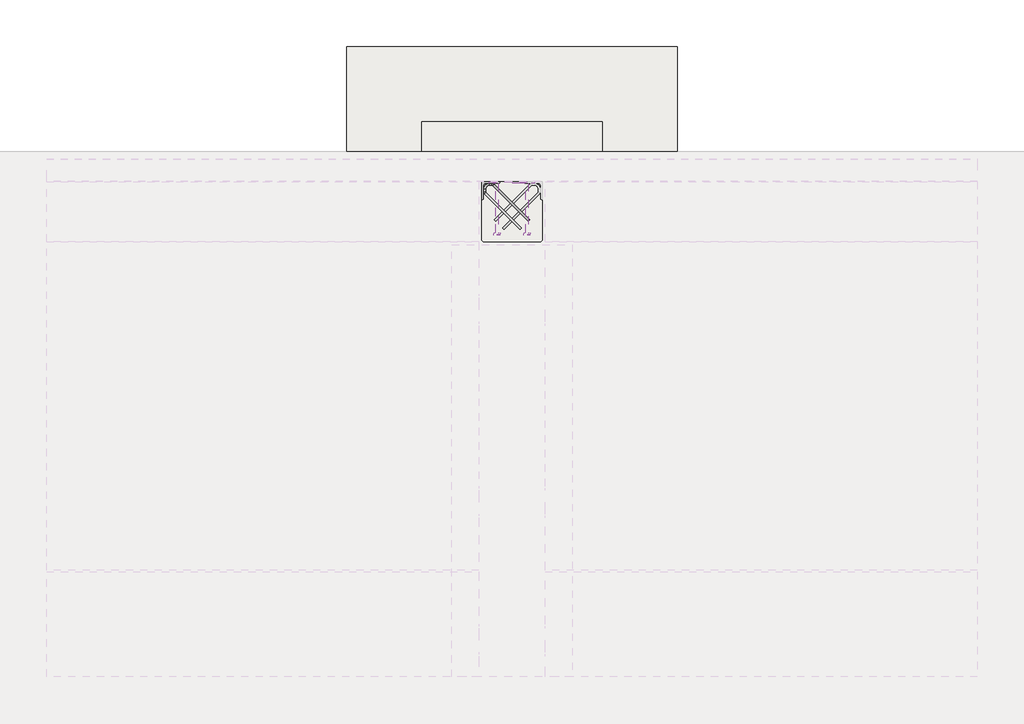
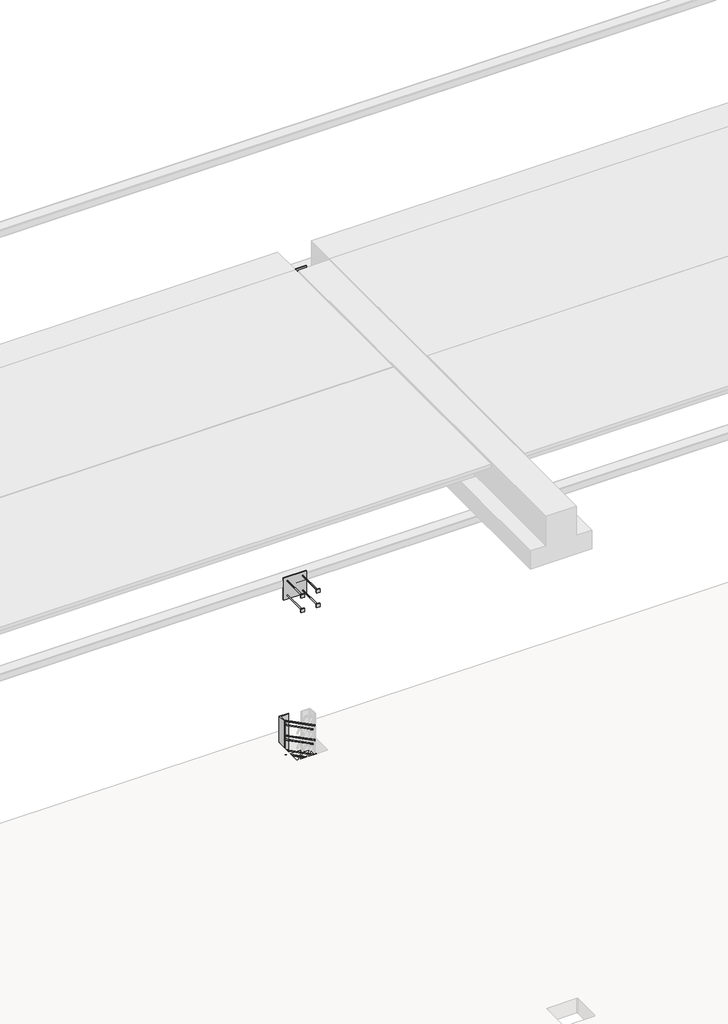
# One storey, part 41 of 65: 4 fasteners, 1 slab.
"""IFC4 building model written with IfcOpenShell, lengths in millimetres."""

from ifc_helpers import new_model, si_unit, point, frame, frame_2d, origin, place, context, project, spatial, polyline, circle_curve, ellipse_curve, trimmed, segment, composite_curve, outline, extrude, faceted_brep, element, save
from ifc_brep_helpers import plane_surface, cylinder_surface, revolved_surface, advanced_brep

model = new_model("IFC4")

# Units and contexts
model_context = context("Model", 3, world=origin())
ifc_project = project(units=[si_unit("LENGTHUNIT", "METRE", prefix="MILLI")], contexts=[model_context])

# Site, building, storey
site = spatial("IfcSite", under=ifc_project)
building = spatial("IfcBuilding", under=site)
storey = spatial("IfcBuildingStorey", under=building, Elevation=0.0)

# Fasteners
placement = place(None, origin())
element("IfcFastener", 1, at=placement, inside=storey, context=model_context, shape_type="SolidModel", body=[
    advanced_brep(
    [(46052.5376259, 38682.5628791, 280.0), (46062.4371209, 38692.4623741, 280.0), (46117.4371209, 38747.4623741, 280.0), (46107.5376259, 38737.5628791, 280.0), (45847.0, 38976.0, 280.0), (45847.0, 38990.0, 280.0), (45865.7867966, 38990.0, 280.0), (45865.7867966, 38976.0, 280.0), (45824.0, 38953.0, 280.0), (45810.0, 38953.0, 280.0), (45824.0, 38934.2132034, 280.0), (45810.0, 38934.2132034, 280.0), (45816.4436508, 38918.6568542, 280.0), (45826.3431458, 38928.5563492, 280.0), (45871.4436508, 38973.6568542, 280.0), (45881.3431458, 38983.5563492, 280.0)],
    [
        (0, 1, circle_curve(frame((46057.4873734, 38687.5126266, 280.0), z_axis=(0.7071067811865482, -0.707106781186547, 0.0), x_axis=(0.707106781186547, 0.7071067811865482, 0.0)), 7.0)),
        (1, 0, circle_curve(frame((46057.4873734, 38687.5126266, 280.0), z_axis=(0.7071067811865482, -0.707106781186547, 0.0), x_axis=(0.707106781186547, 0.7071067811865482, 0.0)), 7.0)),
        (2, 3, circle_curve(frame((46112.4873734, 38742.5126266, 280.0), z_axis=(0.707106781186548, -0.707106781186547, 0.0), x_axis=(-0.707106781186547, -0.707106781186548, 0.0)), 7.0)),
        (3, 2, circle_curve(frame((46112.4873734, 38742.5126266, 280.0), z_axis=(0.707106781186548, -0.707106781186547, 0.0), x_axis=(-0.707106781186547, -0.707106781186548, 0.0)), 7.0)),
        (4, 5, circle_curve(frame((45847.0, 38983.0, 280.0), z_axis=(1.0, 0.0, 0.0), x_axis=(0.0, -1.0, 0.0)), 7.0)),
        (5, 6),
        (6, 7, circle_curve(frame((45865.7867966, 38983.0, 280.0), z_axis=(-1.0, 0.0, 0.0), x_axis=(0.0, -1.0, 0.0)), 7.0)),
        (7, 4),
        (5, 4, circle_curve(frame((45847.0, 38983.0, 280.0), z_axis=(1.0, 0.0, 0.0), x_axis=(0.0, -1.0, 0.0)), 7.0)),
        (7, 6, circle_curve(frame((45865.7867966, 38983.0, 280.0), z_axis=(-1.0, 0.0, 0.0), x_axis=(0.0, -1.0, 0.0)), 7.0)),
        (4, 8, circle_curve(frame((45847.0, 38953.0, 280.0), z_axis=(0.0, 0.0, 1.0), x_axis=(-1.0, 0.0, 0.0)), 23.0)),
        (8, 9, circle_curve(frame((45817.0, 38953.0, 280.0), z_axis=(0.0, 1.0, 0.0), x_axis=(1.0, 0.0, 0.0)), 7.0)),
        (9, 5, circle_curve(frame((45847.0, 38953.0, 280.0), z_axis=(0.0, 0.0, -1.0), x_axis=(-1.0, 0.0, 0.0)), 37.0)),
        (9, 8, circle_curve(frame((45817.0, 38953.0, 280.0), z_axis=(0.0, 1.0, 0.0), x_axis=(1.0, 0.0, 0.0)), 7.0)),
        (10, 11, circle_curve(frame((45817.0, 38934.2132034, 280.0), z_axis=(0.0, 1.0, 0.0), x_axis=(1.0, 0.0, 0.0)), 7.0)),
        (11, 9),
        (8, 10),
        (11, 10, circle_curve(frame((45817.0, 38934.2132034, 280.0), z_axis=(0.0, 1.0, 0.0), x_axis=(1.0, 0.0, 0.0)), 7.0)),
        (0, 12),
        (12, 13, circle_curve(frame((45821.3933983, 38923.6066017, 280.0), z_axis=(0.7071067811865482, -0.707106781186547, 0.0), x_axis=(0.707106781186547, 0.7071067811865482, 0.0)), 7.0)),
        (13, 1),
        (13, 12, circle_curve(frame((45821.3933983, 38923.6066017, 280.0), z_axis=(0.7071067811865482, -0.707106781186547, 0.0), x_axis=(0.707106781186547, 0.7071067811865482, 0.0)), 7.0)),
        (10, 13, circle_curve(frame((45832.0, 38934.2132034, 280.0), z_axis=(0.0, 0.0, 1.0), x_axis=(-0.7071067811865468, -0.7071067811865482, 0.0)), 8.0)),
        (12, 11, circle_curve(frame((45832.0, 38934.2132034, 280.0), z_axis=(0.0, 0.0, -1.0), x_axis=(-0.7071067811865468, -0.7071067811865482, 0.0)), 22.0)),
        (14, 7, circle_curve(frame((45865.7867966, 38968.0, 280.0), z_axis=(0.0, 0.0, 1.0), x_axis=(0.0, 1.0, 0.0)), 8.0)),
        (6, 15, circle_curve(frame((45865.7867966, 38968.0, 280.0), z_axis=(0.0, 0.0, -1.0), x_axis=(0.0, 1.0, 0.0)), 22.0)),
        (15, 14, circle_curve(frame((45876.3933983, 38978.6066017, 280.0), z_axis=(-0.7071067811865479, 0.7071067811865471, 0.0), x_axis=(-0.7071067811865471, -0.7071067811865479, 0.0)), 7.0)),
        (14, 15, circle_curve(frame((45876.3933983, 38978.6066017, 280.0), z_axis=(-0.7071067811865476, 0.7071067811865475, 0.0), x_axis=(-0.7071067811865475, -0.7071067811865476, 0.0)), 7.0)),
        (15, 2),
        (3, 14),
    ],
    [
        plane_surface(frame((46057.4873734, 38687.5126266, 280.0), z_axis=(0.7071067811865482, -0.707106781186547, 0.0), x_axis=(0.0, 0.0, -1.0))),
        plane_surface(frame((46112.4873734, 38742.5126266, 280.0), z_axis=(0.707106781186548, -0.707106781186547, 0.0), x_axis=(0.0, 0.0, -1.0))),
        cylinder_surface(frame((45847.0, 38983.0, 280.0), z_axis=(-1.0, 0.0, 0.0), x_axis=(0.0, -1.0, 0.0)), 7.0),
        revolved_surface(trimmed(ellipse_curve(frame((45817.0, 38953.0, 280.0), z_axis=(0.0, -1.0, 0.0), x_axis=(1.0, 0.0, 0.0)), 7.0, 7.0), [point((45810.0, 38953.0, 280.0))], [point((45824.0, 38953.0, 280.0))], True, "CARTESIAN"), (45847.0, 38953.0, 280.0), (0.0, 0.0, -1.0)),
        revolved_surface(trimmed(ellipse_curve(frame((45817.0, 38953.0, 280.0), z_axis=(0.0, -1.0, 0.0), x_axis=(1.0, 0.0, 0.0)), 7.0, 7.0), [point((45824.0, 38953.0, 280.0))], [point((45810.0, 38953.0, 280.0))], True, "CARTESIAN"), (45847.0, 38953.0, 280.0), (0.0, 0.0, -1.0)),
        cylinder_surface(frame((45817.0, 38934.2132034, 280.0), z_axis=(0.0, -1.0, 0.0), x_axis=(1.0, 0.0, 0.0)), 7.0),
        cylinder_surface(frame((46057.4873734, 38687.5126266, 280.0), z_axis=(0.7071067811865482, -0.707106781186547, 0.0), x_axis=(0.707106781186547, 0.7071067811865482, 0.0)), 7.0),
        revolved_surface(trimmed(ellipse_curve(frame((45821.3933983, 38923.6066017, 280.0), z_axis=(0.7071067811865482, -0.7071067811865468, 0.0), x_axis=(0.7071067811865468, 0.7071067811865482, 0.0)), 7.0, 7.0), [point((45816.4436508, 38918.6568542, 280.0))], [point((45826.3431458, 38928.5563492, 280.0))], True, "CARTESIAN"), (45832.0, 38934.2132034, 280.0), (0.0, 0.0, -1.0)),
        revolved_surface(trimmed(ellipse_curve(frame((45821.3933983, 38923.6066017, 280.0), z_axis=(0.7071067811865482, -0.7071067811865468, 0.0), x_axis=(0.7071067811865468, 0.7071067811865482, 0.0)), 7.0, 7.0), [point((45826.3431458, 38928.5563492, 280.0))], [point((45816.4436508, 38918.6568542, 280.0))], True, "CARTESIAN"), (45832.0, 38934.2132034, 280.0), (0.0, 0.0, -1.0)),
        revolved_surface(trimmed(ellipse_curve(frame((45865.7867966, 38983.0, 280.0), z_axis=(-1.0, 0.0, 0.0), x_axis=(0.0, -1.0, 0.0)), 7.0, 7.0), [point((45865.7867966, 38990.0, 280.0))], [point((45865.7867966, 38976.0, 280.0))], True, "CARTESIAN"), (45865.7867966, 38968.0, 280.0), (0.0, 0.0, -1.0)),
        revolved_surface(trimmed(ellipse_curve(frame((45865.7867966, 38983.0, 280.0), z_axis=(-1.0, 0.0, 0.0), x_axis=(0.0, -1.0, 0.0)), 7.0, 7.0), [point((45865.7867966, 38976.0, 280.0))], [point((45865.7867966, 38990.0, 280.0))], True, "CARTESIAN"), (45865.7867966, 38968.0, 280.0), (0.0, 0.0, -1.0)),
        cylinder_surface(frame((45876.3933983, 38978.6066017, 280.0), z_axis=(-0.707106781186548, 0.707106781186547, 0.0), x_axis=(-0.707106781186547, -0.707106781186548, 0.0)), 7.0),
    ],
    [
        (0, [[1, 2]]),
        (1, [[3, 4]]),
        (2, [[5, 6, 7, 8]]),
        (2, [[9, -8, 10, -6]]),
        (3, [[11, 12, 13, -5]]),
        (4, [[-13, 14, -11, -9]]),
        (5, [[15, 16, -12, 17]]),
        (5, [[18, -17, -14, -16]]),
        (6, [[-1, 19, 20, 21]]),
        (6, [[-2, -21, 22, -19]]),
        (7, [[23, -20, 24, -15]]),
        (8, [[-24, -22, -23, -18]]),
        (9, [[25, -7, 26, 27]]),
        (10, [[-26, -10, -25, 28]]),
        (11, [[-27, 29, -4, 30]]),
        (11, [[-28, -30, -3, -29]]),
    ],
),
    advanced_brep(
    [(46062.4371209, 38692.4623741, -120.0), (46052.5376259, 38682.5628791, -120.0), (46107.5376259, 38737.5628791, -120.0), (46117.4371209, 38747.4623741, -120.0), (45847.0, 38990.0, -120.0), (45847.0, 38976.0, -120.0), (45865.7867966, 38976.0, -120.0), (45865.7867966, 38990.0, -120.0), (45810.0, 38953.0, -120.0), (45824.0, 38953.0, -120.0), (45810.0, 38934.2132034, -120.0), (45824.0, 38934.2132034, -120.0), (45826.3431458, 38928.5563492, -120.0), (45816.4436508, 38918.6568542, -120.0), (45881.3431458, 38983.5563492, -120.0), (45871.4436508, 38973.6568542, -120.0)],
    [
        (0, 1, circle_curve(frame((46057.4873734, 38687.5126266, -120.0), z_axis=(0.7071067811865482, -0.707106781186547, 0.0), x_axis=(-0.707106781186547, -0.7071067811865482, 0.0)), 7.0)),
        (1, 0, circle_curve(frame((46057.4873734, 38687.5126266, -120.0), z_axis=(0.7071067811865482, -0.707106781186547, 0.0), x_axis=(-0.707106781186547, -0.7071067811865482, 0.0)), 7.0)),
        (2, 3, circle_curve(frame((46112.4873734, 38742.5126266, -120.0), z_axis=(0.7071067811865481, -0.707106781186547, 0.0), x_axis=(0.707106781186547, 0.7071067811865481, 0.0)), 7.0)),
        (3, 2, circle_curve(frame((46112.4873734, 38742.5126266, -120.0), z_axis=(0.7071067811865481, -0.707106781186547, 0.0), x_axis=(0.707106781186547, 0.7071067811865481, 0.0)), 7.0)),
        (4, 5, circle_curve(frame((45847.0, 38983.0, -120.0), z_axis=(1.0, 0.0, 0.0), x_axis=(0.0, 1.0, 0.0)), 7.0)),
        (5, 6),
        (6, 7, circle_curve(frame((45865.7867966, 38983.0, -120.0), z_axis=(-1.0, 0.0, 0.0), x_axis=(0.0, 1.0, 0.0)), 7.0)),
        (7, 4),
        (5, 4, circle_curve(frame((45847.0, 38983.0, -120.0), z_axis=(1.0, 0.0, 0.0), x_axis=(0.0, 1.0, 0.0)), 7.0)),
        (7, 6, circle_curve(frame((45865.7867966, 38983.0, -120.0), z_axis=(-1.0, 0.0, 0.0), x_axis=(0.0, 1.0, 0.0)), 7.0)),
        (4, 8, circle_curve(frame((45847.0, 38953.0, -120.0), z_axis=(0.0, 0.0, 1.0), x_axis=(-1.0, 0.0, 0.0)), 37.0)),
        (8, 9, circle_curve(frame((45817.0, 38953.0, -120.0), z_axis=(0.0, 1.0, 0.0), x_axis=(-1.0, 0.0, 0.0)), 7.0)),
        (9, 5, circle_curve(frame((45847.0, 38953.0, -120.0), z_axis=(0.0, 0.0, -1.0), x_axis=(-1.0, 0.0, 0.0)), 23.0)),
        (9, 8, circle_curve(frame((45817.0, 38953.0, -120.0), z_axis=(0.0, 1.0, 0.0), x_axis=(-1.0, 0.0, 0.0)), 7.0)),
        (10, 11, circle_curve(frame((45817.0, 38934.2132034, -120.0), z_axis=(0.0, 1.0, 0.0), x_axis=(-1.0, 0.0, 0.0)), 7.0)),
        (11, 9),
        (8, 10),
        (11, 10, circle_curve(frame((45817.0, 38934.2132034, -120.0), z_axis=(0.0, 1.0, 0.0), x_axis=(-1.0, 0.0, 0.0)), 7.0)),
        (0, 12),
        (12, 13, circle_curve(frame((45821.3933983, 38923.6066017, -120.0), z_axis=(0.7071067811865482, -0.707106781186547, 0.0), x_axis=(-0.707106781186547, -0.7071067811865482, 0.0)), 7.0)),
        (13, 1),
        (13, 12, circle_curve(frame((45821.3933983, 38923.6066017, -120.0), z_axis=(0.7071067811865482, -0.707106781186547, 0.0), x_axis=(-0.707106781186547, -0.7071067811865482, 0.0)), 7.0)),
        (10, 13, circle_curve(frame((45832.0, 38934.2132034, -120.0), z_axis=(0.0, 0.0, 1.0), x_axis=(-0.7071067811865468, -0.7071067811865482, 0.0)), 22.0)),
        (12, 11, circle_curve(frame((45832.0, 38934.2132034, -120.0), z_axis=(0.0, 0.0, -1.0), x_axis=(-0.7071067811865468, -0.7071067811865482, 0.0)), 8.0)),
        (14, 7, circle_curve(frame((45865.7867966, 38968.0, -120.0), z_axis=(0.0, 0.0, 1.0), x_axis=(0.0, 1.0, 0.0)), 22.0)),
        (6, 15, circle_curve(frame((45865.7867966, 38968.0, -120.0), z_axis=(0.0, 0.0, -1.0), x_axis=(0.0, 1.0, 0.0)), 8.0)),
        (15, 14, circle_curve(frame((45876.3933983, 38978.6066017, -120.0), z_axis=(-0.7071067811865464, 0.7071067811865487, 0.0), x_axis=(0.7071067811865487, 0.7071067811865464, 0.0)), 7.0)),
        (14, 15, circle_curve(frame((45876.3933983, 38978.6066017, -120.0), z_axis=(-0.7071067811865474, 0.7071067811865477, 0.0), x_axis=(0.7071067811865477, 0.7071067811865474, 0.0)), 7.0)),
        (15, 2),
        (3, 14),
    ],
    [
        plane_surface(frame((46057.4873734, 38687.5126266, -120.0), z_axis=(0.7071067811865482, -0.707106781186547, 0.0), x_axis=(0.0, 0.0, 1.0))),
        plane_surface(frame((46112.4873734, 38742.5126266, -120.0), z_axis=(0.7071067811865481, -0.707106781186547, 0.0), x_axis=(0.0, 0.0, 1.0))),
        cylinder_surface(frame((45847.0, 38983.0, -120.0), z_axis=(-1.0, 0.0, 0.0), x_axis=(0.0, 1.0, 0.0)), 7.0),
        revolved_surface(trimmed(ellipse_curve(frame((45817.0, 38953.0, -120.0), z_axis=(0.0, -1.0, 0.0), x_axis=(-1.0, 0.0, 0.0)), 7.0, 7.0), [point((45824.0, 38953.0, -120.0))], [point((45810.0, 38953.0, -120.0))], True, "CARTESIAN"), (45847.0, 38953.0, -120.0), (0.0, 0.0, -1.0)),
        revolved_surface(trimmed(ellipse_curve(frame((45817.0, 38953.0, -120.0), z_axis=(0.0, -1.0, 0.0), x_axis=(-1.0, 0.0, 0.0)), 7.0, 7.0), [point((45810.0, 38953.0, -120.0))], [point((45824.0, 38953.0, -120.0))], True, "CARTESIAN"), (45847.0, 38953.0, -120.0), (0.0, 0.0, -1.0)),
        cylinder_surface(frame((45817.0, 38934.2132034, -120.0), z_axis=(0.0, -1.0, 0.0), x_axis=(-1.0, 0.0, 0.0)), 7.0),
        cylinder_surface(frame((46057.4873734, 38687.5126266, -120.0), z_axis=(0.7071067811865482, -0.707106781186547, 0.0), x_axis=(-0.707106781186547, -0.7071067811865482, 0.0)), 7.0),
        revolved_surface(trimmed(ellipse_curve(frame((45821.3933983, 38923.6066017, -120.0), z_axis=(0.7071067811865482, -0.7071067811865468, 0.0), x_axis=(-0.7071067811865468, -0.7071067811865482, 0.0)), 7.0, 7.0), [point((45826.3431458, 38928.5563492, -120.0))], [point((45816.4436508, 38918.6568542, -120.0))], True, "CARTESIAN"), (45832.0, 38934.2132034, -120.0), (0.0, 0.0, -1.0)),
        revolved_surface(trimmed(ellipse_curve(frame((45821.3933983, 38923.6066017, -120.0), z_axis=(0.7071067811865482, -0.7071067811865468, 0.0), x_axis=(-0.7071067811865468, -0.7071067811865482, 0.0)), 7.0, 7.0), [point((45816.4436508, 38918.6568542, -120.0))], [point((45826.3431458, 38928.5563492, -120.0))], True, "CARTESIAN"), (45832.0, 38934.2132034, -120.0), (0.0, 0.0, -1.0)),
        revolved_surface(trimmed(ellipse_curve(frame((45865.7867966, 38983.0, -120.0), z_axis=(-1.0, 0.0, 0.0), x_axis=(0.0, 1.0, 0.0)), 7.0, 7.0), [point((45865.7867966, 38976.0, -120.0))], [point((45865.7867966, 38990.0, -120.0))], True, "CARTESIAN"), (45865.7867966, 38968.0, -120.0), (0.0, 0.0, -1.0)),
        revolved_surface(trimmed(ellipse_curve(frame((45865.7867966, 38983.0, -120.0), z_axis=(-1.0, 0.0, 0.0), x_axis=(0.0, 1.0, 0.0)), 7.0, 7.0), [point((45865.7867966, 38990.0, -120.0))], [point((45865.7867966, 38976.0, -120.0))], True, "CARTESIAN"), (45865.7867966, 38968.0, -120.0), (0.0, 0.0, -1.0)),
        cylinder_surface(frame((45876.3933983, 38978.6066017, -120.0), z_axis=(-0.7071067811865481, 0.707106781186547, 0.0), x_axis=(0.707106781186547, 0.7071067811865481, 0.0)), 7.0),
    ],
    [
        (0, [[1, 2]]),
        (1, [[3, 4]]),
        (2, [[5, 6, 7, 8]]),
        (2, [[9, -8, 10, -6]]),
        (3, [[11, 12, 13, -5]]),
        (4, [[-13, 14, -11, -9]]),
        (5, [[15, 16, -12, 17]]),
        (5, [[18, -17, -14, -16]]),
        (6, [[-1, 19, 20, 21]]),
        (6, [[-2, -21, 22, -19]]),
        (7, [[23, -20, 24, -15]]),
        (8, [[-24, -22, -23, -18]]),
        (9, [[25, -7, 26, 27]]),
        (10, [[-26, -10, -25, 28]]),
        (11, [[-27, 29, -4, 30]]),
        (11, [[-28, -30, -3, -29]]),
    ],
),
    advanced_brep(
    [(46062.4371209, 38692.4623741, 80.0), (46052.5376259, 38682.5628791, 80.0), (46107.5376259, 38737.5628791, 80.0), (46117.4371209, 38747.4623741, 80.0), (45847.0, 38990.0, 80.0), (45847.0, 38976.0, 80.0), (45865.7867966, 38976.0, 80.0), (45865.7867966, 38990.0, 80.0), (45810.0, 38953.0, 80.0), (45824.0, 38953.0, 80.0), (45810.0, 38934.2132034, 80.0), (45824.0, 38934.2132034, 80.0), (45826.3431458, 38928.5563492, 80.0), (45816.4436508, 38918.6568542, 80.0), (45881.3431458, 38983.5563492, 80.0), (45871.4436508, 38973.6568542, 80.0)],
    [
        (0, 1, circle_curve(frame((46057.4873734, 38687.5126266, 80.0), z_axis=(0.7071067811865481, -0.7071067811865469, 0.0), x_axis=(-0.7071067811865469, -0.7071067811865481, 0.0)), 7.0)),
        (1, 0, circle_curve(frame((46057.4873734, 38687.5126266, 80.0), z_axis=(0.7071067811865481, -0.7071067811865469, 0.0), x_axis=(-0.7071067811865469, -0.7071067811865481, 0.0)), 7.0)),
        (2, 3, circle_curve(frame((46112.4873734, 38742.5126266, 80.0), z_axis=(0.7071067811865481, -0.707106781186547, 0.0), x_axis=(0.707106781186547, 0.7071067811865481, 0.0)), 7.0)),
        (3, 2, circle_curve(frame((46112.4873734, 38742.5126266, 80.0), z_axis=(0.7071067811865481, -0.707106781186547, 0.0), x_axis=(0.707106781186547, 0.7071067811865481, 0.0)), 7.0)),
        (4, 5, circle_curve(frame((45847.0, 38983.0, 80.0), z_axis=(1.0, 0.0, 0.0), x_axis=(0.0, 1.0, 0.0)), 7.0)),
        (5, 6),
        (6, 7, circle_curve(frame((45865.7867966, 38983.0, 80.0), z_axis=(-1.0, 0.0, 0.0), x_axis=(0.0, 1.0, 0.0)), 7.0)),
        (7, 4),
        (5, 4, circle_curve(frame((45847.0, 38983.0, 80.0), z_axis=(1.0, 0.0, 0.0), x_axis=(0.0, 1.0, 0.0)), 7.0)),
        (7, 6, circle_curve(frame((45865.7867966, 38983.0, 80.0), z_axis=(-1.0, 0.0, 0.0), x_axis=(0.0, 1.0, 0.0)), 7.0)),
        (4, 8, circle_curve(frame((45847.0, 38953.0, 80.0), z_axis=(0.0, 0.0, 1.0), x_axis=(-1.0, 0.0, 0.0)), 37.0)),
        (8, 9, circle_curve(frame((45817.0, 38953.0, 80.0), z_axis=(0.0, 1.0, 0.0), x_axis=(-1.0, 0.0, 0.0)), 7.0)),
        (9, 5, circle_curve(frame((45847.0, 38953.0, 80.0), z_axis=(0.0, 0.0, -1.0), x_axis=(-1.0, 0.0, 0.0)), 23.0)),
        (9, 8, circle_curve(frame((45817.0, 38953.0, 80.0), z_axis=(0.0, 1.0, 0.0), x_axis=(-1.0, 0.0, 0.0)), 7.0)),
        (10, 11, circle_curve(frame((45817.0, 38934.2132034, 80.0), z_axis=(0.0, 1.0, 0.0), x_axis=(-1.0, 0.0, 0.0)), 7.0)),
        (11, 9),
        (8, 10),
        (11, 10, circle_curve(frame((45817.0, 38934.2132034, 80.0), z_axis=(0.0, 1.0, 0.0), x_axis=(-1.0, 0.0, 0.0)), 7.0)),
        (0, 12),
        (12, 13, circle_curve(frame((45821.3933983, 38923.6066017, 80.0), z_axis=(0.7071067811865481, -0.7071067811865469, 0.0), x_axis=(-0.7071067811865469, -0.7071067811865481, 0.0)), 7.0)),
        (13, 1),
        (13, 12, circle_curve(frame((45821.3933983, 38923.6066017, 80.0), z_axis=(0.7071067811865481, -0.7071067811865469, 0.0), x_axis=(-0.7071067811865469, -0.7071067811865481, 0.0)), 7.0)),
        (10, 13, circle_curve(frame((45832.0, 38934.2132034, 80.0), z_axis=(0.0, 0.0, 1.0), x_axis=(-0.7071067811865468, -0.7071067811865482, 0.0)), 22.0)),
        (12, 11, circle_curve(frame((45832.0, 38934.2132034, 80.0), z_axis=(0.0, 0.0, -1.0), x_axis=(-0.7071067811865468, -0.7071067811865482, 0.0)), 8.0)),
        (14, 7, circle_curve(frame((45865.7867966, 38968.0, 80.0), z_axis=(0.0, 0.0, 1.0), x_axis=(0.0, 1.0, 0.0)), 22.0)),
        (6, 15, circle_curve(frame((45865.7867966, 38968.0, 80.0), z_axis=(0.0, 0.0, -1.0), x_axis=(0.0, 1.0, 0.0)), 8.0)),
        (15, 14, circle_curve(frame((45876.3933983, 38978.6066017, 80.0), z_axis=(-0.707106781186548, 0.707106781186547, 0.0), x_axis=(0.707106781186547, 0.707106781186548, 0.0)), 7.0)),
        (14, 15, circle_curve(frame((45876.3933983, 38978.6066017, 80.0), z_axis=(-0.7071067811865479, 0.7071067811865471, 0.0), x_axis=(0.7071067811865471, 0.7071067811865479, 0.0)), 7.0)),
        (15, 2),
        (3, 14),
    ],
    [
        plane_surface(frame((46057.4873734, 38687.5126266, 80.0), z_axis=(0.7071067811865481, -0.7071067811865469, 0.0), x_axis=(0.0, 0.0, 1.0))),
        plane_surface(frame((46112.4873734, 38742.5126266, 80.0), z_axis=(0.707106781186548, -0.7071067811865471, 0.0), x_axis=(0.0, 0.0, 1.0))),
        cylinder_surface(frame((45847.0, 38983.0, 80.0), z_axis=(-1.0, 0.0, 0.0), x_axis=(0.0, 1.0, 0.0)), 7.0),
        revolved_surface(trimmed(ellipse_curve(frame((45817.0, 38953.0, 80.0), z_axis=(0.0, -1.0, 0.0), x_axis=(-1.0, 0.0, 0.0)), 7.0, 7.0), [point((45824.0, 38953.0, 80.0))], [point((45810.0, 38953.0, 80.0))], True, "CARTESIAN"), (45847.0, 38953.0, 80.0), (0.0, 0.0, -1.0)),
        revolved_surface(trimmed(ellipse_curve(frame((45817.0, 38953.0, 80.0), z_axis=(0.0, -1.0, 0.0), x_axis=(-1.0, 0.0, 0.0)), 7.0, 7.0), [point((45810.0, 38953.0, 80.0))], [point((45824.0, 38953.0, 80.0))], True, "CARTESIAN"), (45847.0, 38953.0, 80.0), (0.0, 0.0, -1.0)),
        cylinder_surface(frame((45817.0, 38934.2132034, 80.0), z_axis=(0.0, -1.0, 0.0), x_axis=(-1.0, 0.0, 0.0)), 7.0),
        cylinder_surface(frame((46057.4873734, 38687.5126266, 80.0), z_axis=(0.7071067811865481, -0.7071067811865469, 0.0), x_axis=(-0.7071067811865469, -0.7071067811865481, 0.0)), 7.0),
        revolved_surface(trimmed(ellipse_curve(frame((45821.3933983, 38923.6066017, 80.0), z_axis=(0.7071067811865483, -0.7071067811865467, 0.0), x_axis=(-0.7071067811865467, -0.7071067811865483, 0.0)), 7.0, 7.0), [point((45826.3431458, 38928.5563492, 80.0))], [point((45816.4436508, 38918.6568542, 80.0))], True, "CARTESIAN"), (45832.0, 38934.2132034, 80.0), (0.0, 0.0, -1.0)),
        revolved_surface(trimmed(ellipse_curve(frame((45821.3933983, 38923.6066017, 80.0), z_axis=(0.7071067811865483, -0.7071067811865467, 0.0), x_axis=(-0.7071067811865467, -0.7071067811865483, 0.0)), 7.0, 7.0), [point((45816.4436508, 38918.6568542, 80.0))], [point((45826.3431458, 38928.5563492, 80.0))], True, "CARTESIAN"), (45832.0, 38934.2132034, 80.0), (0.0, 0.0, -1.0)),
        revolved_surface(trimmed(ellipse_curve(frame((45865.7867966, 38983.0, 80.0), z_axis=(-1.0, 0.0, 0.0), x_axis=(0.0, 1.0, 0.0)), 7.0, 7.0), [point((45865.7867966, 38976.0, 80.0))], [point((45865.7867966, 38990.0, 80.0))], True, "CARTESIAN"), (45865.7867966, 38968.0, 80.0), (0.0, 0.0, -1.0)),
        revolved_surface(trimmed(ellipse_curve(frame((45865.7867966, 38983.0, 80.0), z_axis=(-1.0, 0.0, 0.0), x_axis=(0.0, 1.0, 0.0)), 7.0, 7.0), [point((45865.7867966, 38990.0, 80.0))], [point((45865.7867966, 38976.0, 80.0))], True, "CARTESIAN"), (45865.7867966, 38968.0, 80.0), (0.0, 0.0, -1.0)),
        cylinder_surface(frame((45876.3933983, 38978.6066017, 80.0), z_axis=(-0.7071067811865481, 0.707106781186547, 0.0), x_axis=(0.707106781186547, 0.7071067811865481, 0.0)), 7.0),
    ],
    [
        (0, [[1, 2]]),
        (1, [[3, 4]]),
        (2, [[5, 6, 7, 8]]),
        (2, [[9, -8, 10, -6]]),
        (3, [[11, 12, 13, -5]]),
        (4, [[-13, 14, -11, -9]]),
        (5, [[15, 16, -12, 17]]),
        (5, [[18, -17, -14, -16]]),
        (6, [[-1, 19, 20, 21]]),
        (6, [[-2, -21, 22, -19]]),
        (7, [[23, -20, 24, -15]]),
        (8, [[-24, -22, -23, -18]]),
        (9, [[25, -7, 26, 27]]),
        (10, [[-26, -10, -25, 28]]),
        (11, [[-27, 29, -4, 30]]),
        (11, [[-28, -30, -3, -29]]),
    ],
),
    extrude(outline(composite_curve([segment(polyline([(45800.0, 39000.0), (45920.0, 39000.0), (45920.0, 38996.5)]), True, "CONTINUOUS"), segment(trimmed(circle_curve(frame_2d((45913.5, 38996.5)), 6.5), [point((45920.0, 38996.5))], [point((45913.5, 38990.0))], False, "CARTESIAN"), True, "CONTINUOUS"), segment(polyline([(45913.5, 38990.0), (45823.0, 38990.0)]), True, "CONTINUOUS"), segment(trimmed(circle_curve(frame_2d((45823.0, 38977.0)), 13.0), [point((45823.0, 38990.0))], [point((45810.0, 38977.0))], True, "CARTESIAN"), True, "CONTINUOUS"), segment(polyline([(45810.0, 38977.0), (45810.0, 38886.5)]), True, "CONTINUOUS"), segment(trimmed(circle_curve(frame_2d((45803.5, 38886.5)), 6.5), [point((45810.0, 38886.5))], [point((45803.5, 38880.0))], False, "CARTESIAN"), True, "CONTINUOUS"), segment(polyline([(45803.5, 38880.0), (45800.0, 38880.0), (45800.0, 39000.0)]), True, "CONTINUOUS")], self_intersect=False)), frame((0.0, 0.0, -200.0), z_axis=(0.0, 0.0, 1.0), x_axis=(1.0, 0.0, 0.0)), (0.0, 0.0, 1.0), 560.0),
])
element("IfcFastener", 2, ObjectType="ZC : ZC 1", at=placement, inside=storey, context=model_context, shape_type="SweptSolid", body=[
    extrude(outline(polyline([(45877.5, 38660.0), (45922.5, 38660.0), (45922.5, 38644.0), (45877.5, 38644.0), (45877.5, 38660.0)])), frame((0.0, 0.0, 3867.5), z_axis=(0.0, 0.0, 1.0), x_axis=(1.0, 0.0, 0.0)), (0.0, 0.0, 1.0), 45.0),
    extrude(outline(composite_curve([segment(trimmed(circle_curve(frame_2d((3890.0, 45900.0)), 7.0), [point((3890.0, 45893.0))], [point((3890.0, 45907.0))], False, "CARTESIAN"), True, "CONTINUOUS"), segment(trimmed(circle_curve(frame_2d((3890.0, 45900.0)), 7.0), [point((3890.0, 45907.0))], [point((3890.0, 45893.0))], False, "CARTESIAN"), True, "CONTINUOUS")], self_intersect=False)), frame((0.0, 38660.0, 0.0), z_axis=(0.0, 1.0, 0.0), x_axis=(0.0, 0.0, 1.0)), (0.0, 0.0, 1.0), 330.0),
    extrude(outline(polyline([(46077.5, 38660.0), (46122.5, 38660.0), (46122.5, 38644.0), (46077.5, 38644.0), (46077.5, 38660.0)])), frame((0.0, 0.0, 3867.5), z_axis=(0.0, 0.0, 1.0), x_axis=(1.0, 0.0, 0.0)), (0.0, 0.0, 1.0), 45.0),
    extrude(outline(composite_curve([segment(trimmed(circle_curve(frame_2d((3890.0, 46100.0)), 7.0), [point((3890.0, 46093.0))], [point((3890.0, 46107.0))], False, "CARTESIAN"), True, "CONTINUOUS"), segment(trimmed(circle_curve(frame_2d((3890.0, 46100.0)), 7.0), [point((3890.0, 46107.0))], [point((3890.0, 46093.0))], False, "CARTESIAN"), True, "CONTINUOUS")], self_intersect=False)), frame((0.0, 38660.0, 0.0), z_axis=(0.0, 1.0, 0.0), x_axis=(0.0, 0.0, 1.0)), (0.0, 0.0, 1.0), 330.0),
    extrude(outline(polyline([(45877.5, 38660.0), (45922.5, 38660.0), (45922.5, 38644.0), (45877.5, 38644.0), (45877.5, 38660.0)])), frame((0.0, 0.0, 4067.5), z_axis=(0.0, 0.0, 1.0), x_axis=(1.0, 0.0, 0.0)), (0.0, 0.0, 1.0), 45.0),
    extrude(outline(composite_curve([segment(trimmed(circle_curve(frame_2d((4090.0, 45900.0)), 7.0), [point((4090.0, 45893.0))], [point((4090.0, 45907.0))], False, "CARTESIAN"), True, "CONTINUOUS"), segment(trimmed(circle_curve(frame_2d((4090.0, 45900.0)), 7.0), [point((4090.0, 45907.0))], [point((4090.0, 45893.0))], False, "CARTESIAN"), True, "CONTINUOUS")], self_intersect=False)), frame((0.0, 38660.0, 0.0), z_axis=(0.0, 1.0, 0.0), x_axis=(0.0, 0.0, 1.0)), (0.0, 0.0, 1.0), 330.0),
    extrude(outline(polyline([(46077.5, 38660.0), (46122.5, 38660.0), (46122.5, 38644.0), (46077.5, 38644.0), (46077.5, 38660.0)])), frame((0.0, 0.0, 4067.5), z_axis=(0.0, 0.0, 1.0), x_axis=(1.0, 0.0, 0.0)), (0.0, 0.0, 1.0), 45.0),
    extrude(outline(composite_curve([segment(trimmed(circle_curve(frame_2d((4090.0, 46100.0)), 7.0), [point((4090.0, 46093.0))], [point((4090.0, 46107.0))], False, "CARTESIAN"), True, "CONTINUOUS"), segment(trimmed(circle_curve(frame_2d((4090.0, 46100.0)), 7.0), [point((4090.0, 46107.0))], [point((4090.0, 46093.0))], False, "CARTESIAN"), True, "CONTINUOUS")], self_intersect=False)), frame((0.0, 38660.0, 0.0), z_axis=(0.0, 1.0, 0.0), x_axis=(0.0, 0.0, 1.0)), (0.0, 0.0, 1.0), 330.0),
    extrude(outline(polyline([(45850.0, 39000.0), (46150.0, 39000.0), (46150.0, 38990.0), (45850.0, 38990.0), (45850.0, 39000.0)])), frame((0.0, 0.0, 3840.0), z_axis=(0.0, 0.0, 1.0), x_axis=(1.0, 0.0, 0.0)), (0.0, 0.0, 1.0), 300.0),
])
element("IfcFastener", 3, ObjectType="ZC : ZC 1", at=placement, inside=storey, context=model_context, shape_type="SweptSolid", body=[
    extrude(outline(polyline([(45877.5, 38660.0), (45922.5, 38660.0), (45922.5, 38644.0), (45877.5, 38644.0), (45877.5, 38660.0)])), frame((0.0, 0.0, 1962.5), z_axis=(0.0, 0.0, 1.0), x_axis=(1.0, 0.0, 0.0)), (0.0, 0.0, 1.0), 45.0),
    extrude(outline(composite_curve([segment(trimmed(circle_curve(frame_2d((1985.0, 45900.0)), 7.0), [point((1985.0, 45893.0))], [point((1985.0, 45907.0))], False, "CARTESIAN"), True, "CONTINUOUS"), segment(trimmed(circle_curve(frame_2d((1985.0, 45900.0)), 7.0), [point((1985.0, 45907.0))], [point((1985.0, 45893.0))], False, "CARTESIAN"), True, "CONTINUOUS")], self_intersect=False)), frame((0.0, 38660.0, 0.0), z_axis=(0.0, 1.0, 0.0), x_axis=(0.0, 0.0, 1.0)), (0.0, 0.0, 1.0), 330.0),
    extrude(outline(polyline([(46077.5, 38660.0), (46122.5, 38660.0), (46122.5, 38644.0), (46077.5, 38644.0), (46077.5, 38660.0)])), frame((0.0, 0.0, 1962.5), z_axis=(0.0, 0.0, 1.0), x_axis=(1.0, 0.0, 0.0)), (0.0, 0.0, 1.0), 45.0),
    extrude(outline(composite_curve([segment(trimmed(circle_curve(frame_2d((1985.0, 46100.0)), 7.0), [point((1985.0, 46093.0))], [point((1985.0, 46107.0))], False, "CARTESIAN"), True, "CONTINUOUS"), segment(trimmed(circle_curve(frame_2d((1985.0, 46100.0)), 7.0), [point((1985.0, 46107.0))], [point((1985.0, 46093.0))], False, "CARTESIAN"), True, "CONTINUOUS")], self_intersect=False)), frame((0.0, 38660.0, 0.0), z_axis=(0.0, 1.0, 0.0), x_axis=(0.0, 0.0, 1.0)), (0.0, 0.0, 1.0), 330.0),
    extrude(outline(polyline([(45877.5, 38660.0), (45922.5, 38660.0), (45922.5, 38644.0), (45877.5, 38644.0), (45877.5, 38660.0)])), frame((0.0, 0.0, 2162.5), z_axis=(0.0, 0.0, 1.0), x_axis=(1.0, 0.0, 0.0)), (0.0, 0.0, 1.0), 45.0),
    extrude(outline(composite_curve([segment(trimmed(circle_curve(frame_2d((2185.0, 45900.0)), 7.0), [point((2185.0, 45893.0))], [point((2185.0, 45907.0))], False, "CARTESIAN"), True, "CONTINUOUS"), segment(trimmed(circle_curve(frame_2d((2185.0, 45900.0)), 7.0), [point((2185.0, 45907.0))], [point((2185.0, 45893.0))], False, "CARTESIAN"), True, "CONTINUOUS")], self_intersect=False)), frame((0.0, 38660.0, 0.0), z_axis=(0.0, 1.0, 0.0), x_axis=(0.0, 0.0, 1.0)), (0.0, 0.0, 1.0), 330.0),
    extrude(outline(polyline([(46077.5, 38660.0), (46122.5, 38660.0), (46122.5, 38644.0), (46077.5, 38644.0), (46077.5, 38660.0)])), frame((0.0, 0.0, 2162.5), z_axis=(0.0, 0.0, 1.0), x_axis=(1.0, 0.0, 0.0)), (0.0, 0.0, 1.0), 45.0),
    extrude(outline(composite_curve([segment(trimmed(circle_curve(frame_2d((2185.0, 46100.0)), 7.0), [point((2185.0, 46093.0))], [point((2185.0, 46107.0))], False, "CARTESIAN"), True, "CONTINUOUS"), segment(trimmed(circle_curve(frame_2d((2185.0, 46100.0)), 7.0), [point((2185.0, 46107.0))], [point((2185.0, 46093.0))], False, "CARTESIAN"), True, "CONTINUOUS")], self_intersect=False)), frame((0.0, 38660.0, 0.0), z_axis=(0.0, 1.0, 0.0), x_axis=(0.0, 0.0, 1.0)), (0.0, 0.0, 1.0), 330.0),
    extrude(outline(polyline([(45850.0, 39000.0), (46150.0, 39000.0), (46150.0, 38990.0), (45850.0, 38990.0), (45850.0, 39000.0)])), frame((0.0, 0.0, 1935.0), z_axis=(0.0, 0.0, 1.0), x_axis=(1.0, 0.0, 0.0)), (0.0, 0.0, 1.0), 300.0),
])
element("IfcFastener", 4, ObjectType="ZC : ZC 1", at=placement, inside=storey, context=model_context, shape_type="SweptSolid", body=[
    extrude(outline(polyline([(45877.5, 38660.0), (45922.5, 38660.0), (45922.5, 38644.0), (45877.5, 38644.0), (45877.5, 38660.0)])), frame((0.0, 0.0, 6137.5), z_axis=(0.0, 0.0, 1.0), x_axis=(1.0, 0.0, 0.0)), (0.0, 0.0, 1.0), 45.0),
    extrude(outline(composite_curve([segment(trimmed(circle_curve(frame_2d((6160.0, 45900.0)), 7.0), [point((6160.0, 45893.0))], [point((6160.0, 45907.0))], False, "CARTESIAN"), True, "CONTINUOUS"), segment(trimmed(circle_curve(frame_2d((6160.0, 45900.0)), 7.0), [point((6160.0, 45907.0))], [point((6160.0, 45893.0))], False, "CARTESIAN"), True, "CONTINUOUS")], self_intersect=False)), frame((0.0, 38660.0, 0.0), z_axis=(0.0, 1.0, 0.0), x_axis=(0.0, 0.0, 1.0)), (0.0, 0.0, 1.0), 330.0),
    extrude(outline(polyline([(46077.5, 38660.0), (46122.5, 38660.0), (46122.5, 38644.0), (46077.5, 38644.0), (46077.5, 38660.0)])), frame((0.0, 0.0, 6137.5), z_axis=(0.0, 0.0, 1.0), x_axis=(1.0, 0.0, 0.0)), (0.0, 0.0, 1.0), 45.0),
    extrude(outline(composite_curve([segment(trimmed(circle_curve(frame_2d((6160.0, 46100.0)), 7.0), [point((6160.0, 46093.0))], [point((6160.0, 46107.0))], False, "CARTESIAN"), True, "CONTINUOUS"), segment(trimmed(circle_curve(frame_2d((6160.0, 46100.0)), 7.0), [point((6160.0, 46107.0))], [point((6160.0, 46093.0))], False, "CARTESIAN"), True, "CONTINUOUS")], self_intersect=False)), frame((0.0, 38660.0, 0.0), z_axis=(0.0, 1.0, 0.0), x_axis=(0.0, 0.0, 1.0)), (0.0, 0.0, 1.0), 330.0),
    extrude(outline(polyline([(45877.5, 38660.0), (45922.5, 38660.0), (45922.5, 38644.0), (45877.5, 38644.0), (45877.5, 38660.0)])), frame((0.0, 0.0, 6337.5), z_axis=(0.0, 0.0, 1.0), x_axis=(1.0, 0.0, 0.0)), (0.0, 0.0, 1.0), 45.0),
    extrude(outline(composite_curve([segment(trimmed(circle_curve(frame_2d((6360.0, 45900.0)), 7.0), [point((6360.0, 45893.0))], [point((6360.0, 45907.0))], False, "CARTESIAN"), True, "CONTINUOUS"), segment(trimmed(circle_curve(frame_2d((6360.0, 45900.0)), 7.0), [point((6360.0, 45907.0))], [point((6360.0, 45893.0))], False, "CARTESIAN"), True, "CONTINUOUS")], self_intersect=False)), frame((0.0, 38660.0, 0.0), z_axis=(0.0, 1.0, 0.0), x_axis=(0.0, 0.0, 1.0)), (0.0, 0.0, 1.0), 330.0),
    extrude(outline(polyline([(46077.5, 38660.0), (46122.5, 38660.0), (46122.5, 38644.0), (46077.5, 38644.0), (46077.5, 38660.0)])), frame((0.0, 0.0, 6337.5), z_axis=(0.0, 0.0, 1.0), x_axis=(1.0, 0.0, 0.0)), (0.0, 0.0, 1.0), 45.0),
    extrude(outline(composite_curve([segment(trimmed(circle_curve(frame_2d((6360.0, 46100.0)), 7.0), [point((6360.0, 46093.0))], [point((6360.0, 46107.0))], False, "CARTESIAN"), True, "CONTINUOUS"), segment(trimmed(circle_curve(frame_2d((6360.0, 46100.0)), 7.0), [point((6360.0, 46107.0))], [point((6360.0, 46093.0))], False, "CARTESIAN"), True, "CONTINUOUS")], self_intersect=False)), frame((0.0, 38660.0, 0.0), z_axis=(0.0, 1.0, 0.0), x_axis=(0.0, 0.0, 1.0)), (0.0, 0.0, 1.0), 330.0),
    extrude(outline(polyline([(45850.0, 39000.0), (46150.0, 39000.0), (46150.0, 38990.0), (45850.0, 38990.0), (45850.0, 39000.0)])), frame((0.0, 0.0, 6110.0), z_axis=(0.0, 0.0, 1.0), x_axis=(1.0, 0.0, 0.0)), (0.0, 0.0, 1.0), 300.0),
])

# Slab
element("IfcSlab", 5, ObjectType="F2.2x2.2x0.6m P1.2x1.2x1.2m", at=placement, inside=storey, context=model_context, shape_type="Brep", body=[
    faceted_brep([(44900.0, 39900.0, -2000.0), (44900.0, 37700.0, -2000.0), (44900.0, 37700.0, -1400.0), (44900.0, 39900.0, -1400.0), (47100.0, 39900.0, -1400.0), (47100.0, 37700.0, -1400.0), (46600.0, 39400.0, -1400.0), (46600.0, 38200.0, -1400.0), (45400.0, 38200.0, -1400.0), (45400.0, 39400.0, -1400.0), (46600.0, 39400.0, -200.0), (46600.0, 38200.0, -200.0), (46275.0, 39075.0, -1400.0), (45725.0, 39075.0, -1400.0), (45725.0, 38525.0, -1400.0), (46275.0, 38525.0, -1400.0), (45400.0, 39400.0, -200.0), (45400.0, 38200.0, -200.0), (45650.0, 39150.0, -200.0), (46350.0, 39150.0, -200.0), (46350.0, 38450.0, -200.0), (45650.0, 38450.0, -200.0), (47100.0, 39900.0, -2000.0), (47100.0, 37700.0, -2000.0)], [[[0, 1, 2, 3]], [[4, 3, 2, 5], [6, 7, 8, 9]], [[7, 6, 10, 11]], [[12, 13, 14, 15]], [[11, 10, 16, 17], [18, 19, 20, 21]], [[22, 23, 1, 0]], [[22, 0, 3, 4]], [[1, 23, 5, 2]], [[23, 22, 4, 5]], [[8, 7, 11, 17]], [[9, 8, 17, 16]], [[6, 9, 16, 10]], [[13, 12, 19, 18]], [[14, 13, 18, 21]], [[15, 14, 21, 20]], [[12, 15, 20, 19]]]),
])

save(model, "model.ifc")
